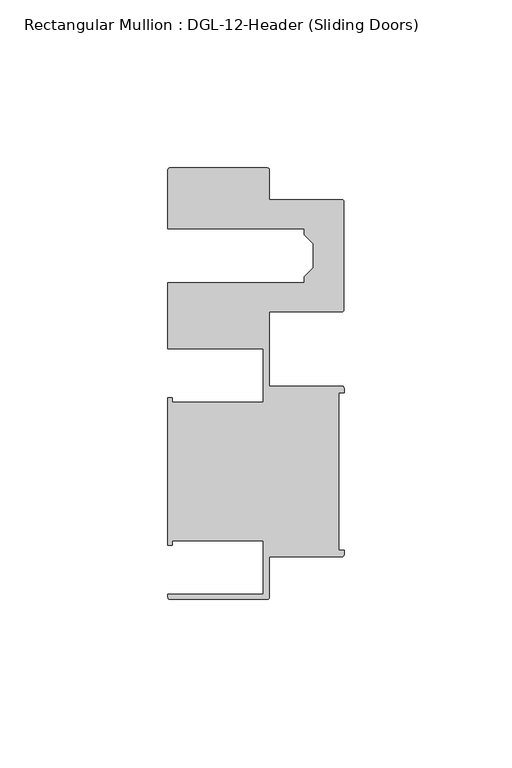
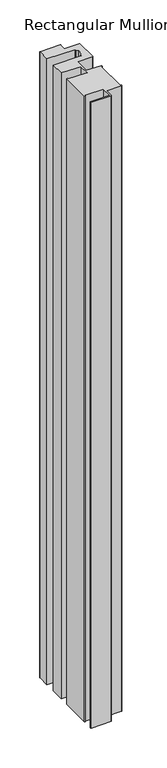
"""IFC4 building model written with IfcOpenShell, lengths in millimetres: member geometry, Rectangular Mullion : DGL-12-Header (Sliding Doors)."""

from ifc_helpers import new_model, si_unit, point, frame, frame_2d, origin, place, context, project, spatial, polyline, circle_curve, trimmed, segment, composite_curve, outline, extrude, source, transform, mapped, element, save


def rectangular_mullion_dgl_12_header_sliding_doors_91eb2a62(model_context):
    return source(origin(), model_context, "Body", "SweptSolid", [
        extrude(outline(composite_curve([segment(polyline([(-0.5953125, -25.4), (-22.2332898, -25.4), (-22.2332898, -37.5043667)]), True, "CONTINUOUS"), segment(trimmed(circle_curve(frame_2d((-22.8286023, -37.5043667)), 0.5953125), [point((-22.2332898, -37.5043667))], [point((-22.8286023, -38.0996792))], False, "CARTESIAN"), True, "CONTINUOUS"), segment(polyline([(-22.8286023, -38.0996792), (-51.7968699, -38.0996792)]), True, "CONTINUOUS"), segment(trimmed(circle_curve(frame_2d((-51.7968699, -37.5043667)), 0.5953125), [point((-51.7968699, -38.0996792))], [point((-52.3921824, -37.5043667))], False, "CARTESIAN"), True, "CONTINUOUS"), segment(polyline([(-52.3921824, -37.5043667), (-52.3921824, -36.512516), (-24.0747898, -36.512516), (-24.0747898, -20.5916734), (-51.1362531, -20.5916734), (-51.1362531, -21.9710976), (-52.3921824, -21.9710976), (-52.3921824, 21.9710976), (-51.1362531, 21.9710976), (-51.1362531, 20.5916734), (-24.0747898, 20.5916734), (-24.0747898, 36.512516), (-52.3921824, 36.512516), (-52.3921824, 56.213352), (-11.8582575, 56.213352), (-11.8582575, 57.8946468), (-9.1582575, 60.5946468), (-9.1582575, 67.7941892), (-11.8582575, 70.4941892), (-11.8582575, 72.175484), (-52.3921824, 72.175484), (-52.3921824, 89.7299227)]), True, "CONTINUOUS"), segment(trimmed(circle_curve(frame_2d((-51.7968699, 89.7299227)), 0.5953125), [point((-52.3921824, 89.7299227))], [point((-51.7968699, 90.3252352))], False, "CARTESIAN"), True, "CONTINUOUS"), segment(polyline([(-51.7968699, 90.3252352), (-22.79857, 90.3252352)]), True, "CONTINUOUS"), segment(trimmed(circle_curve(frame_2d((-22.79857, 89.7299227)), 0.5953125), [point((-22.79857, 90.3252352))], [point((-22.2032575, 89.7299227))], False, "CARTESIAN"), True, "CONTINUOUS"), segment(polyline([(-22.2032575, 89.7299227), (-22.2032575, 80.875484), (-0.60357, 80.875484)]), True, "CONTINUOUS"), segment(trimmed(circle_curve(frame_2d((-0.60357, 80.2801715)), 0.5953125), [point((-0.60357, 80.875484))], [point((-0.0082575, 80.2801715))], False, "CARTESIAN"), True, "CONTINUOUS"), segment(polyline([(-0.0082575, 80.2801715), (-0.0082575, 48.1086645)]), True, "CONTINUOUS"), segment(trimmed(circle_curve(frame_2d((-0.60357, 48.1086645)), 0.5953125), [point((-0.0082575, 48.1086645))], [point((-0.60357, 47.513352))], False, "CARTESIAN"), True, "CONTINUOUS"), segment(polyline([(-0.60357, 47.513352), (-22.2332898, 47.513352), (-22.2332898, 25.4), (-0.5953125, 25.4)]), True, "CONTINUOUS"), segment(trimmed(circle_curve(frame_2d((-0.5953125, 24.8046875)), 0.5953125), [point((-0.5953125, 25.4))], [point((0.0, 24.8046875))], False, "CARTESIAN"), True, "CONTINUOUS"), segment(polyline([(0.0, 24.8046875), (0.0, 23.488176), (-1.5001875, 23.488176), (-1.5001875, -23.488176), (0.0, -23.488176), (0.0, -24.8046875)]), True, "CONTINUOUS"), segment(trimmed(circle_curve(frame_2d((-0.5953125, -24.8046875)), 0.5953125), [point((0.0, -24.8046875))], [point((-0.5953125, -25.4))], False, "CARTESIAN"), True, "CONTINUOUS")], self_intersect=False)), frame((0.0, 0.0, -960.4122082), z_axis=(0.0, 0.0, 1.0), x_axis=(1.0, 0.0, 0.0)), (0.0, 0.0, 1.0), 960.4122082),
    ])


if __name__ == "__main__":
    model = new_model("IFC4")
    model_context = context("Model", 3, world=origin())
    ifc_project = project(units=[si_unit("LENGTHUNIT", "METRE", prefix="MILLI")], contexts=[model_context])
    site = spatial("IfcSite", under=ifc_project)
    building = spatial("IfcBuilding", under=site)
    placement = place(None, origin())
    rectangular_mullion_dgl_12_header_sliding_doors_shape = rectangular_mullion_dgl_12_header_sliding_doors_91eb2a62(model_context)
    element("IfcMember", 1, ObjectType="Rectangular Mullion : DGL-12-Header (Sliding Doors)", at=placement, inside=building, context=model_context, shape_type="MappedRepresentation", body=[
        mapped(rectangular_mullion_dgl_12_header_sliding_doors_shape, transform((0.0, 0.0, 0.0), x_axis=(1.0, 0.0, 0.0), y_axis=(0.0, 1.0, 0.0), z_axis=(0.0, 0.0, 1.0))),
    ])
    save(model, "model.ifc")
